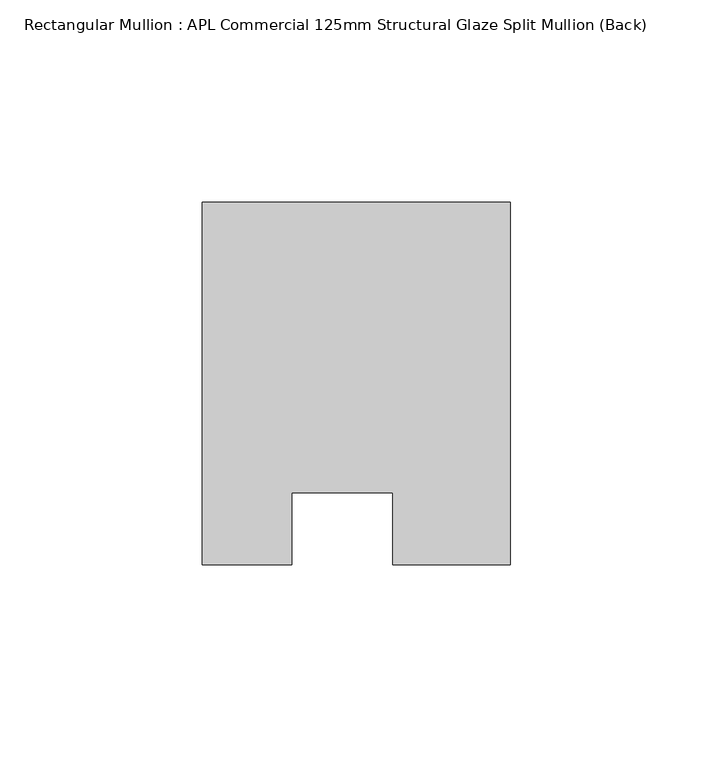
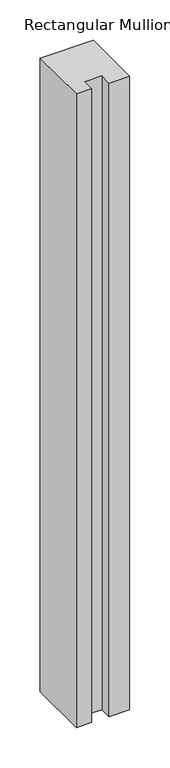
"""IFC4 building model written with IfcOpenShell, lengths in millimetres: member geometry, Rectangular Mullion : APL Commercial 125mm Structural Glaze Split Mullion (Back)."""

from ifc_helpers import new_model, si_unit, frame, origin, place, context, project, spatial, polyline, outline, extrude, source, transform, mapped, element, save


def rectangular_mullion_apl_commercial_125mm_structural_glaze_5f6739d9(model_context):
    return source(origin(), model_context, "Body", "SweptSolid", [
        extrude(outline(polyline([(37.9999914, 104.4960123), (37.9999914, 14.9960123), (9.0, 14.9960123), (9.0, 32.7960123), (-16.0, 32.7960123), (-16.0, 14.9960123), (-37.9999896, 14.9960123), (-37.9999896, 104.4960123), (37.9999914, 104.4960123)])), frame((0.0, 0.0, -956.8333313), z_axis=(0.0, 0.0, 1.0), x_axis=(1.0, 0.0, 0.0)), (0.0, 0.0, 1.0), 956.8333313),
    ])


if __name__ == "__main__":
    model = new_model("IFC4")
    model_context = context("Model", 3, world=origin())
    ifc_project = project(units=[si_unit("LENGTHUNIT", "METRE", prefix="MILLI")], contexts=[model_context])
    site = spatial("IfcSite", under=ifc_project)
    building = spatial("IfcBuilding", under=site)
    placement = place(None, origin())
    rectangular_mullion_apl_commercial_125mm_structural_glaze_shape = rectangular_mullion_apl_commercial_125mm_structural_glaze_5f6739d9(model_context)
    element("IfcMember", 1, ObjectType="Rectangular Mullion : APL Commercial 125mm Structural Glaze Split Mullion (Back)", at=placement, inside=building, context=model_context, shape_type="MappedRepresentation", body=[
        mapped(rectangular_mullion_apl_commercial_125mm_structural_glaze_shape, transform((0.0, 0.0, 0.0), x_axis=(1.0, 0.0, 0.0), y_axis=(0.0, 1.0, 0.0), z_axis=(0.0, 0.0, 1.0))),
    ])
    save(model, "model.ifc")
